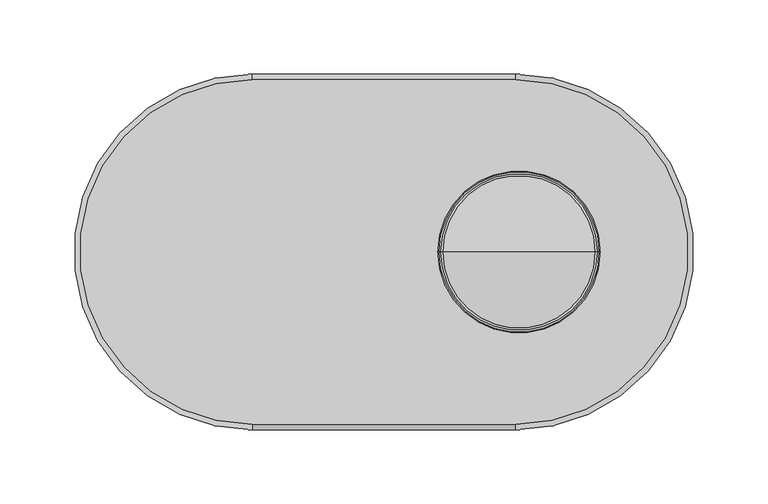
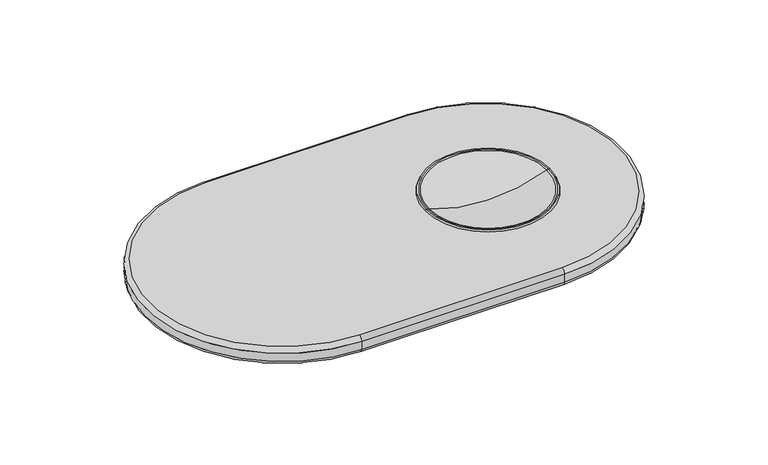
"""IFC4 building model written with IfcOpenShell, lengths in millimetres: furniture geometry."""

from ifc_helpers import new_model, si_unit, point, frame, origin, place, context, project, spatial, polyline, circle_curve, ellipse_curve, trimmed, source, transform, mapped, element, save
from ifc_brep_helpers import plane_surface, cylinder_surface, revolved_surface, advanced_brep


def furniture_c86422aa(model_context):
    return source(origin(), model_context, "Body", "AdvancedBrep", [
        advanced_brep(
        [(36.3554095, 0.0, 738.8701016), (39.5276828, 0.0, 738.8701016), (142.5131282, 0.0, 738.8701016), (145.6854015, 0.0, 738.8701016), (36.8793964, 0.0, 740.2556026), (145.1614146, 0.0, 740.2556026), (38.0601243, 0.0, 740.2556026), (143.9806867, 0.0, 740.2556026), (39.4648766, 0.0, 739.98718), (142.5759344, 0.0, 739.98718), (91.0204055, 0.0, 730.0583048), (91.0204055, 0.0, 729.0423006)],
        [
            (0, 1),
            (1, 2, circle_curve(frame((91.0204055, 0.0, 738.8701016), z_axis=(0.0, 0.0, 1.0), x_axis=(1.0, 0.0, 0.0)), 51.4927227)),
            (2, 3),
            (3, 0, circle_curve(frame((91.0204055, 0.0, 738.8701016), z_axis=(0.0, 0.0, -1.0), x_axis=(1.0, 0.0, 0.0)), 54.664996)),
            (2, 1, circle_curve(frame((91.0204055, 0.0, 738.8701016), z_axis=(0.0, 0.0, 1.0), x_axis=(1.0, 0.0, 0.0)), 51.4927227)),
            (0, 3, circle_curve(frame((91.0204055, 0.0, 738.8701016), z_axis=(0.0, 0.0, -1.0), x_axis=(1.0, 0.0, 0.0)), 54.664996)),
            (4, 0),
            (3, 5),
            (5, 4, circle_curve(frame((91.0204055, 0.0, 740.2556026), z_axis=(0.0, 0.0, -1.0), x_axis=(1.0, 0.0, 0.0)), 54.1410091)),
            (4, 5, circle_curve(frame((91.0204055, 0.0, 740.2556026), z_axis=(0.0, 0.0, -1.0), x_axis=(1.0, 0.0, 0.0)), 54.1410091)),
            (6, 4),
            (5, 7),
            (7, 6, circle_curve(frame((91.0204055, 0.0, 740.2556026), z_axis=(0.0, 0.0, -1.0), x_axis=(1.0, 0.0, 0.0)), 52.9602812)),
            (6, 7, circle_curve(frame((91.0204055, 0.0, 740.2556026), z_axis=(0.0, 0.0, -1.0), x_axis=(1.0, 0.0, 0.0)), 52.9602812)),
            (8, 6, circle_curve(frame((38.0601243, 0.0, 736.4456026), z_axis=(0.0, -1.0, 0.0), x_axis=(-1.0, 0.0, 0.0)), 3.81)),
            (7, 9, circle_curve(frame((143.9806867, 0.0, 736.4456026), z_axis=(0.0, -1.0, 0.0), x_axis=(1.0, 0.0, 0.0)), 3.81)),
            (9, 8, circle_curve(frame((91.0204055, 0.0, 739.98718), z_axis=(0.0, 0.0, -1.0), x_axis=(1.0, 0.0, 0.0)), 51.5555289)),
            (8, 9, circle_curve(frame((91.0204055, 0.0, 739.98718), z_axis=(0.0, 0.0, -1.0), x_axis=(1.0, 0.0, 0.0)), 51.5555289)),
            (10, 8, circle_curve(frame((91.4293786, 0.0, 870.9969669), z_axis=(0.0, 1.0, 0.0), x_axis=(-1.0, 0.0, 0.0)), 140.9392555)),
            (9, 10, circle_curve(frame((90.6114324, 0.0, 870.9969669), z_axis=(0.0, 1.0, 0.0), x_axis=(1.0, 0.0, 0.0)), 140.9392555)),
            (1, 11, circle_curve(frame((91.4293786, 0.0, 870.9969669), z_axis=(0.0, -1.0, 0.0), x_axis=(-1.0, 0.0, 0.0)), 141.9552555)),
            (11, 2, circle_curve(frame((90.6114324, 0.0, 870.9969669), z_axis=(0.0, -1.0, 0.0), x_axis=(1.0, 0.0, 0.0)), 141.9552555)),
        ],
        [
            plane_surface(frame((91.0204055, 0.0, 738.8701016), z_axis=(0.0, 0.0, -1.0), x_axis=(1.0, 0.0, 0.0))),
            revolved_surface(polyline([(145.6854015, 0.0, 738.8701016), (145.1614146, 0.0, 740.2556026)]), (91.0204055, 0.0, 765.0362808), (0.0, 0.0, 1.0)),
            plane_surface(frame((91.0204055, 0.0, 740.2556026), z_axis=(0.0, 0.0, 1.0), x_axis=(1.0, 0.0, 0.0))),
            revolved_surface(trimmed(ellipse_curve(frame((143.9806867, 0.0, 736.4456026), z_axis=(0.0, -1.0, 0.0), x_axis=(1.0, 0.0, 0.0)), 3.81, 3.81), [point((143.9806867, 0.0, 740.2556026))], [point((142.5759344, 0.0, 739.98718))], True, "CARTESIAN"), (91.0204055, 0.0, 765.0362808), (0.0, 0.0, 1.0)),
            revolved_surface(trimmed(ellipse_curve(frame((90.6114324, 0.0, 870.9969669), z_axis=(0.0, 1.0, 0.0), x_axis=(1.0, 0.0, 0.0)), 140.9392555, 140.9392555), [point((142.5759344, 0.0, 739.98718))], [point((91.0204055, 0.0, 730.0583048))], True, "CARTESIAN"), (91.0204055, 0.0, 765.0362808), (0.0, 0.0, 1.0)),
            revolved_surface(trimmed(ellipse_curve(frame((90.6114324, 0.0, 870.9969669), z_axis=(0.0, -1.0, 0.0), x_axis=(1.0, 0.0, 0.0)), 141.9552555, 141.9552555), [point((91.0204055, 0.0, 729.0423006))], [point((142.5131282, 0.0, 738.8701016))], True, "CARTESIAN"), (91.0204055, 0.0, 765.0362808), (0.0, 0.0, 1.0)),
        ],
        [
            (0, [[1, 2, 3, 4]]),
            (0, [[-3, 5, -1, 6]]),
            (1, [[7, -4, 8, 9]]),
            (1, [[-8, -6, -7, 10]]),
            (2, [[11, -9, 12, 13]]),
            (2, [[-12, -10, -11, 14]]),
            (3, [[15, -13, 16, 17]]),
            (3, [[-16, -14, -15, 18]]),
            (4, [[19, -17, 20]]),
            (4, [[-20, -18, -19]]),
            (5, [[21, 22, -2]]),
            (5, [[-22, -21, -5]]),
        ],
    ),
        advanced_brep(
        [(88.9, -116.2193878, 723.9), (-88.9, -116.2193878, 723.9), (-88.9, 116.2193878, 723.9), (88.9, 116.2193878, 723.9), (88.9, 116.2193878, 738.8701016), (-88.9, 116.2193878, 738.8701016), (-88.9, -116.2193878, 738.8701016), (88.9, -116.2193878, 738.8701016), (39.5276828, 0.0, 738.8701016), (142.5131282, 0.0, 738.8701016), (91.0204055, 0.0, 729.0423006), (88.9, 120.0293878, 735.0601016), (88.9, -120.0293878, 735.0601016), (88.9, -120.0293878, 727.71), (88.9, 120.0293878, 727.71), (-88.9, 120.0293878, 735.0601016), (-88.9, 120.0293878, 727.71), (-88.9, -120.0293878, 735.0601016), (-88.9, -120.0293878, 727.71)],
        [
            (0, 1),
            (1, 2, circle_curve(frame((-88.9, 0.0, 723.9), z_axis=(0.0, 0.0, -1.0), x_axis=(0.0, 1.0, 0.0)), 116.2193878)),
            (2, 3),
            (3, 0, circle_curve(frame((88.9, 0.0, 723.9), z_axis=(0.0, 0.0, -1.0), x_axis=(0.0, -1.0, 0.0)), 116.2193878)),
            (4, 5),
            (5, 6, circle_curve(frame((-88.9, 0.0, 738.8701016), z_axis=(0.0, 0.0, 1.0), x_axis=(0.0, 1.0, 0.0)), 116.2193878)),
            (6, 7),
            (7, 4, circle_curve(frame((88.9, 0.0, 738.8701016), z_axis=(0.0, 0.0, 1.0), x_axis=(0.0, -1.0, 0.0)), 116.2193878)),
            (8, 9, circle_curve(frame((91.0204055, 0.0, 738.8701016), z_axis=(0.0, 0.0, -1.0), x_axis=(1.0, 0.0, 0.0)), 51.4927227)),
            (9, 8, circle_curve(frame((91.0204055, 0.0, 738.8701016), z_axis=(0.0, 0.0, -1.0), x_axis=(1.0, 0.0, 0.0)), 51.4927227)),
            (9, 10, circle_curve(frame((90.6114324, 0.0, 870.9969669), z_axis=(0.0, 1.0, 0.0), x_axis=(1.0, 0.0, 0.0)), 141.9552555)),
            (10, 8, circle_curve(frame((91.4293786, 0.0, 870.9969669), z_axis=(0.0, 1.0, 0.0), x_axis=(-1.0, 0.0, 0.0)), 141.9552555)),
            (11, 4, circle_curve(frame((88.9, 116.2193878, 735.0601016), z_axis=(1.0, 0.0, 0.0), x_axis=(0.0, -1.0, 0.0)), 3.81)),
            (7, 12, circle_curve(frame((88.9, -116.2193878, 735.0601016), z_axis=(1.0, 0.0, 0.0), x_axis=(0.0, 1.0, 0.0)), 3.81)),
            (12, 11, circle_curve(frame((88.9, 0.0, 735.0601016), z_axis=(0.0, 0.0, 1.0), x_axis=(0.0, -1.0, 0.0)), 120.0293878)),
            (12, 13),
            (13, 14, circle_curve(frame((88.9, 0.0, 727.71), z_axis=(0.0, 0.0, 1.0), x_axis=(0.0, -1.0, 0.0)), 120.0293878)),
            (14, 11),
            (13, 0, circle_curve(frame((88.9, -116.2193878, 727.71), z_axis=(1.0, 0.0, 0.0), x_axis=(0.0, 1.0, 0.0)), 3.81)),
            (3, 14, circle_curve(frame((88.9, 116.2193878, 727.71), z_axis=(1.0, 0.0, 0.0), x_axis=(0.0, -1.0, 0.0)), 3.81)),
            (11, 15),
            (15, 5, circle_curve(frame((-88.9, 116.2193878, 735.0601016), z_axis=(1.0, 0.0, 0.0), x_axis=(0.0, -1.0, 0.0)), 3.81)),
            (14, 16),
            (16, 15),
            (2, 16, circle_curve(frame((-88.9, 116.2193878, 727.71), z_axis=(1.0, 0.0, 0.0), x_axis=(0.0, -1.0, 0.0)), 3.81)),
            (15, 17, circle_curve(frame((-88.9, 0.0, 735.0601016), z_axis=(0.0, 0.0, 1.0), x_axis=(0.0, 1.0, 0.0)), 120.0293878)),
            (17, 6, circle_curve(frame((-88.9, -116.2193878, 735.0601016), z_axis=(-1.0, 0.0, 0.0), x_axis=(0.0, 1.0, 0.0)), 3.81)),
            (16, 18, circle_curve(frame((-88.9, 0.0, 727.71), z_axis=(0.0, 0.0, 1.0), x_axis=(0.0, 1.0, 0.0)), 120.0293878)),
            (18, 17),
            (1, 18, circle_curve(frame((-88.9, -116.2193878, 727.71), z_axis=(-1.0, 0.0, 0.0), x_axis=(0.0, 1.0, 0.0)), 3.81)),
            (17, 12),
            (18, 13),
        ],
        [
            plane_surface(frame((-88.9, -98.4793965, 723.9), z_axis=(0.0, 0.0, -1.0), x_axis=(1.0, 0.0, 0.0))),
            plane_surface(frame((-88.9, -98.4793965, 738.8701016), z_axis=(0.0, 0.0, 1.0), x_axis=(-1.0, 0.0, 0.0))),
            revolved_surface(trimmed(ellipse_curve(frame((90.6114324, 0.0, 870.9969669), z_axis=(0.0, 1.0, 0.0), x_axis=(1.0, 0.0, 0.0)), 141.9552555, 141.9552555), [point((142.5131282, 0.0, 738.8701016))], [point((91.0204055, 0.0, 729.0423006))], True, "CARTESIAN"), (91.0204055, 0.0, 743.7079737), (0.0, 0.0, 1.0)),
            revolved_surface(trimmed(ellipse_curve(frame((88.9, -116.2193878, 735.0601016), z_axis=(1.0, 0.0, 0.0), x_axis=(0.0, 1.0, 0.0)), 3.81, 3.81), [point((88.9, -116.2193878, 738.8701016))], [point((88.9, -120.0293878, 735.0601016))], True, "CARTESIAN"), (88.9, 0.0, 0.0), (0.0, 0.0, -1.0)),
            cylinder_surface(frame((88.9, 0.0, 0.0), z_axis=(0.0, 0.0, -1.0), x_axis=(0.0, -1.0, 0.0)), 120.0293878),
            revolved_surface(trimmed(ellipse_curve(frame((88.9, -116.2193878, 727.71), z_axis=(1.0, 0.0, 0.0), x_axis=(0.0, 1.0, 0.0)), 3.81, 3.81), [point((88.9, -120.0293878, 727.71))], [point((88.9, -116.2193878, 723.9))], True, "CARTESIAN"), (88.9, 0.0, 0.0), (0.0, 0.0, -1.0)),
            cylinder_surface(frame((88.9, 116.2193878, 735.0601016), z_axis=(1.0, 0.0, 0.0), x_axis=(0.0, -1.0, 0.0)), 3.81),
            plane_surface(frame((88.9, 120.0293878, 735.0601016), z_axis=(0.0, 1.0, 0.0), x_axis=(-1.0, 0.0, 0.0))),
            cylinder_surface(frame((88.9, 116.2193878, 727.71), z_axis=(1.0, 0.0, 0.0), x_axis=(0.0, -1.0, 0.0)), 3.81),
            revolved_surface(trimmed(ellipse_curve(frame((-88.9, 116.2193878, 735.0601016), z_axis=(-1.0, 0.0, 0.0), x_axis=(0.0, -1.0, 0.0)), 3.81, 3.81), [point((-88.9, 116.2193878, 738.8701016))], [point((-88.9, 120.0293878, 735.0601016))], True, "CARTESIAN"), (-88.9, 0.0, 0.0), (0.0, 0.0, -1.0)),
            cylinder_surface(frame((-88.9, 0.0, 0.0), z_axis=(0.0, 0.0, -1.0), x_axis=(0.0, 1.0, 0.0)), 120.0293878),
            revolved_surface(trimmed(ellipse_curve(frame((-88.9, 116.2193878, 727.71), z_axis=(-1.0, 0.0, 0.0), x_axis=(0.0, -1.0, 0.0)), 3.81, 3.81), [point((-88.9, 120.0293878, 727.71))], [point((-88.9, 116.2193878, 723.9))], True, "CARTESIAN"), (-88.9, 0.0, 0.0), (0.0, 0.0, -1.0)),
            cylinder_surface(frame((-88.9, -116.2193878, 735.0601016), z_axis=(-1.0, 0.0, 0.0), x_axis=(0.0, 1.0, 0.0)), 3.81),
            plane_surface(frame((-88.9, -120.0293878, 735.0601016), z_axis=(0.0, -1.0, 0.0), x_axis=(1.0, 0.0, 0.0))),
            cylinder_surface(frame((-88.9, -116.2193878, 727.71), z_axis=(-1.0, 0.0, 0.0), x_axis=(0.0, 1.0, 0.0)), 3.81),
        ],
        [
            (0, [[1, 2, 3, 4]]),
            (1, [[5, 6, 7, 8], [9, 10]]),
            (2, [[-10, 11, 12]]),
            (2, [[-11, -9, -12]]),
            (3, [[13, -8, 14, 15]]),
            (4, [[16, 17, 18, -15]]),
            (5, [[19, -4, 20, -17]]),
            (6, [[21, 22, -5, -13]]),
            (7, [[23, 24, -21, -18]]),
            (8, [[-3, 25, -23, -20]]),
            (9, [[26, 27, -6, -22]]),
            (10, [[28, 29, -26, -24]]),
            (11, [[-2, 30, -28, -25]]),
            (12, [[-7, -27, 31, -14]]),
            (13, [[-31, -29, 32, -16]]),
            (14, [[-32, -30, -1, -19]]),
        ],
    ),
    ])


if __name__ == "__main__":
    model = new_model("IFC4")
    model_context = context("Model", 3, world=origin())
    ifc_project = project(units=[si_unit("LENGTHUNIT", "METRE", prefix="MILLI")], contexts=[model_context])
    site = spatial("IfcSite", under=ifc_project)
    building = spatial("IfcBuilding", under=site)
    placement = place(None, origin())
    furniture_shape = furniture_c86422aa(model_context)
    element("IfcFurniture", 1, at=placement, inside=building, context=model_context, shape_type="MappedRepresentation", body=[
        mapped(furniture_shape, transform((0.0, 0.0, 0.0), x_axis=(1.0, 0.0, 0.0), y_axis=(0.0, 1.0, 0.0), z_axis=(0.0, 0.0, 1.0))),
    ])
    save(model, "model.ifc")
